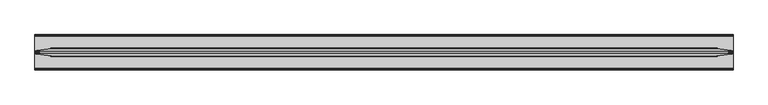
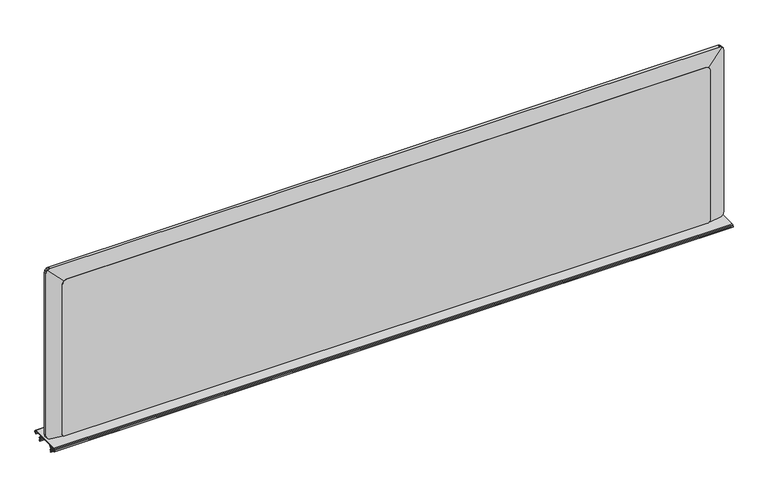
"""IFC4 building model written with IfcOpenShell, lengths in millimetres: furniture geometry."""

from ifc_helpers import new_model, si_unit, point, frame, frame_2d, origin, place, context, project, spatial, polyline, circle_curve, trimmed, segment, composite_curve, outline, extrude, faceted_brep, source, transform, mapped, element, save


def furniture_3af3d5f0(model_context):
    return source(origin(), model_context, "Body", "SolidModel", [
        extrude(outline(composite_curve([segment(trimmed(circle_curve(frame_2d((-75.1928863, 558.2065415)), 2.430138), [point((-76.6170666, 556.2374602))], [point((-77.2846954, 559.443435))], False, "CARTESIAN"), True, "CONTINUOUS"), segment(polyline([(-77.2846954, 559.443435), (-76.0762752, 561.4870905)]), True, "CONTINUOUS"), segment(trimmed(circle_curve(frame_2d((-74.0187119, 560.2704466)), 2.3903534), [point((-76.0762752, 561.4870905))], [point((-74.0187119, 562.6608))], False, "CARTESIAN"), True, "CONTINUOUS"), segment(polyline([(-74.0187119, 562.6608), (-4.2648863, 562.6608)]), True, "CONTINUOUS"), segment(trimmed(circle_curve(frame_2d((-4.2648863, 560.2704466)), 2.3903534), [point((-4.2648863, 562.6608))], [point((-2.207323, 561.4870905))], False, "CARTESIAN"), True, "CONTINUOUS"), segment(polyline([(-2.207323, 561.4870905), (-0.9989028, 559.443435)]), True, "CONTINUOUS"), segment(trimmed(circle_curve(frame_2d((-3.0907119, 558.2065415)), 2.430138), [point((-0.9989028, 559.443435))], [point((-1.6665316, 556.2374602))], False, "CARTESIAN"), True, "CONTINUOUS"), segment(polyline([(-1.6665316, 556.2374602), (-4.4860224, 554.1982031), (-4.9474775, 554.836214), (-2.1279867, 556.8754711)]), True, "CONTINUOUS"), segment(trimmed(circle_curve(frame_2d((-3.0907119, 558.2065415)), 1.642738), [point((-2.1279867, 556.8754711))], [point((-1.6766793, 559.0426636))], True, "CARTESIAN"), True, "CONTINUOUS"), segment(polyline([(-1.6766793, 559.0426636), (-2.8850995, 561.0863191)]), True, "CONTINUOUS"), segment(trimmed(circle_curve(frame_2d((-4.2648863, 560.2704466)), 1.6029534), [point((-2.8850995, 561.0863191))], [point((-4.2648863, 561.8734))], True, "CARTESIAN"), True, "CONTINUOUS"), segment(polyline([(-4.2648863, 561.8734), (-74.0187119, 561.8734)]), True, "CONTINUOUS"), segment(trimmed(circle_curve(frame_2d((-74.0187119, 560.2704466)), 1.6029534), [point((-74.0187119, 561.8734))], [point((-75.3984987, 561.0863191))], True, "CARTESIAN"), True, "CONTINUOUS"), segment(polyline([(-75.3984987, 561.0863191), (-76.6069189, 559.0426636)]), True, "CONTINUOUS"), segment(trimmed(circle_curve(frame_2d((-75.1928863, 558.2065415)), 1.642738), [point((-76.6069189, 559.0426636))], [point((-76.1556115, 556.8754711))], True, "CARTESIAN"), True, "CONTINUOUS"), segment(polyline([(-76.1556115, 556.8754711), (-73.3361207, 554.836214), (-73.7975758, 554.1982031), (-76.6170666, 556.2374602)]), True, "CONTINUOUS")], self_intersect=False)), frame((0.9128077, 0.0, 0.0), z_axis=(1.0, 0.0, 0.0), x_axis=(0.0, 1.0, 0.0)), (0.0, 0.0, 1.0), 1522.1743847),
        extrude(outline(composite_curve([segment(polyline([(-56.0461627, 561.8734), (-55.1072956, 561.8734), (-60.3912441, 553.7368387)]), True, "CONTINUOUS"), segment(trimmed(circle_curve(frame_2d((-59.5056044, 553.1616971)), 1.0560045), [point((-60.3912441, 553.7368387))], [point((-60.3859585, 552.5784971))], True, "CARTESIAN"), True, "CONTINUOUS"), segment(polyline([(-60.3859585, 552.5784971), (-59.3045938, 550.9461517)]), True, "CONTINUOUS"), segment(trimmed(circle_curve(frame_2d((-60.7484403, 549.9896601)), 1.7319264), [point((-59.3045938, 550.9461517))], [point((-59.5749626, 548.7158787))], False, "CARTESIAN"), True, "CONTINUOUS"), segment(polyline([(-59.5749626, 548.7158787), (-60.3183145, 548.0310619)]), True, "CONTINUOUS"), segment(trimmed(circle_curve(frame_2d((-59.7283038, 547.3906197)), 0.8707921), [point((-60.3183145, 548.0310619))], [point((-60.5065655, 546.999995))], True, "CARTESIAN"), True, "CONTINUOUS"), segment(polyline([(-60.5065655, 546.999995), (-59.6251222, 545.2438501), (-60.328853, 544.8906339), (-61.2102963, 546.6467788)]), True, "CONTINUOUS"), segment(trimmed(circle_curve(frame_2d((-59.7283038, 547.3906197)), 1.6581921), [point((-61.2102963, 546.6467788))], [point((-60.8518224, 548.6101717))], False, "CARTESIAN"), True, "CONTINUOUS"), segment(polyline([(-60.8518224, 548.6101717), (-60.1084705, 549.2949884)]), True, "CONTINUOUS"), segment(trimmed(circle_curve(frame_2d((-60.7484403, 549.9896601)), 0.9445264), [point((-60.1084705, 549.2949884))], [point((-59.9610216, 550.511294))], True, "CARTESIAN"), True, "CONTINUOUS"), segment(polyline([(-59.9610216, 550.511294), (-61.0423863, 552.1436394)]), True, "CONTINUOUS"), segment(trimmed(circle_curve(frame_2d((-59.5056044, 553.1616971)), 1.8434045), [point((-61.0423863, 552.1436394))], [point((-61.0516132, 554.1656877))], False, "CARTESIAN"), True, "CONTINUOUS"), segment(polyline([(-61.0516132, 554.1656877), (-56.0461627, 561.8734)]), True, "CONTINUOUS")], self_intersect=False)), frame((1.6764, 0.0, 0.0), z_axis=(1.0, 0.0, 0.0), x_axis=(0.0, 1.0, 0.0)), (0.0, 0.0, 1.0), 1520.6472),
        extrude(outline(composite_curve([segment(polyline([(-22.2374355, 561.8734), (-17.231985, 554.1656877)]), True, "CONTINUOUS"), segment(trimmed(circle_curve(frame_2d((-18.7779938, 553.1616971)), 1.8434045), [point((-17.231985, 554.1656877))], [point((-17.2412119, 552.1436394))], False, "CARTESIAN"), True, "CONTINUOUS"), segment(polyline([(-17.2412119, 552.1436394), (-18.3225766, 550.511294)]), True, "CONTINUOUS"), segment(trimmed(circle_curve(frame_2d((-17.5351579, 549.9896601)), 0.9445264), [point((-18.3225766, 550.511294))], [point((-18.1751277, 549.2949884))], True, "CARTESIAN"), True, "CONTINUOUS"), segment(polyline([(-18.1751277, 549.2949884), (-17.4317758, 548.6101717)]), True, "CONTINUOUS"), segment(trimmed(circle_curve(frame_2d((-18.5552944, 547.3906197)), 1.6581921), [point((-17.4317758, 548.6101717))], [point((-17.0733019, 546.6467788))], False, "CARTESIAN"), True, "CONTINUOUS"), segment(polyline([(-17.0733019, 546.6467788), (-17.9547452, 544.8906339), (-18.658476, 545.2438501), (-17.7770327, 546.999995)]), True, "CONTINUOUS"), segment(trimmed(circle_curve(frame_2d((-18.5552944, 547.3906197)), 0.8707921), [point((-17.7770327, 546.999995))], [point((-17.9652837, 548.0310619))], True, "CARTESIAN"), True, "CONTINUOUS"), segment(polyline([(-17.9652837, 548.0310619), (-18.7086356, 548.7158787)]), True, "CONTINUOUS"), segment(trimmed(circle_curve(frame_2d((-17.5351579, 549.9896601)), 1.7319264), [point((-18.7086356, 548.7158787))], [point((-18.9790044, 550.9461517))], False, "CARTESIAN"), True, "CONTINUOUS"), segment(polyline([(-18.9790044, 550.9461517), (-17.8976397, 552.5784971)]), True, "CONTINUOUS"), segment(trimmed(circle_curve(frame_2d((-18.7779938, 553.1616971)), 1.0560045), [point((-17.8976397, 552.5784971))], [point((-17.8923541, 553.7368387))], True, "CARTESIAN"), True, "CONTINUOUS"), segment(polyline([(-17.8923541, 553.7368387), (-23.1763025, 561.8734), (-22.2374355, 561.8734)]), True, "CONTINUOUS")], self_intersect=False)), frame((1.6764, 0.0, 0.0), z_axis=(1.0, 0.0, 0.0), x_axis=(0.0, 1.0, 0.0)), (0.0, 0.0, 1.0), 1520.6472),
        faceted_brep([(1485.9706046, -31.0258914, 562.6608), (1485.9706046, -31.0258914, 930.4986273), (1519.410999, -35.7256324, 963.9390217), (1520.8505813, -35.9279525, 962.0852416), (1521.8654782, -36.0705869, 959.7595115), (1522.329602, -36.1358153, 957.1455867), (1522.329602, -36.1358153, 572.3730143), (1521.8654782, -36.0705869, 569.7590895), (1520.8505813, -35.9279525, 567.4333594), (1519.3657155, -35.7192682, 565.5212668), (1517.77837, -35.4961813, 564.240095), (1515.3892336, -35.1604101, 563.15208), (1512.7816683, -34.7939407, 562.6608), (1485.9706046, -47.5358914, 930.4986273), (1485.9706046, -47.5358914, 562.6608), (1512.7816683, -43.5773568, 562.6608), (1515.3892336, -43.1923614, 563.15208), (1517.77837, -42.839616, 564.240095), (1519.3657155, -42.6052515, 565.5212668), (1520.8505813, -42.3860176, 567.4333594), (1521.8654782, -42.2361726, 569.7590895), (1522.329602, -42.1676468, 572.3730143), (1522.329602, -42.1676468, 957.1455867), (1521.8654782, -42.2361726, 959.7595115), (1520.8505813, -42.3860176, 962.0852416), (1519.410999, -42.5985656, 963.9390217), (38.0293954, -31.0258914, 930.4986273), (38.0293954, -31.0258914, 562.6801375), (11.2802637, -34.7852367, 562.6801375), (8.6107664, -35.1604101, 563.1830859), (6.22163, -35.4961813, 564.2711009), (4.6342845, -35.7192682, 565.5522727), (3.1494187, -35.9279525, 567.4643652), (2.1345218, -36.0705869, 569.7900954), (1.670398, -36.1358153, 572.4040202), (1.670398, -36.1358153, 957.1455867), (2.1345218, -36.0705869, 959.7595115), (3.1494187, -35.9279525, 962.0852416), (4.589001, -35.7256324, 963.9390217), (38.0293954, -47.5358914, 562.6801375), (38.0293954, -47.5358914, 930.4986273), (4.589001, -42.5985656, 963.9390217), (3.1494187, -42.3860176, 962.0852416), (2.1345218, -42.2361726, 959.7595115), (1.670398, -42.1676468, 957.1455867), (1.670398, -42.1676468, 572.4040202), (2.1345218, -42.2361726, 569.7900954), (3.1494187, -42.3860176, 567.4643652), (4.6342845, -42.6052515, 565.5522727), (6.22163, -42.839616, 564.2711009), (8.6107664, -43.1923614, 563.1830859), (11.2802637, -43.5865008, 562.6801375), (6.22163, -35.9138846, 965.278506), (8.6107664, -36.0667951, 966.366521), (11.2173961, -36.1358153, 966.8576247), (1512.7826039, -36.1358153, 966.8576247), (1515.3892336, -36.0667951, 966.366521), (1517.77837, -35.9138846, 965.278506), (1517.77837, -42.4007967, 965.278506), (1515.3892336, -42.2401561, 966.366521), (1512.7826039, -42.1676468, 966.8576247), (11.2173961, -42.1676468, 966.8576247), (8.6107664, -42.2401561, 966.366521), (6.22163, -42.4007967, 965.278506)], [[[0, 1, 2, 3, 4, 5, 6, 7, 8, 9, 10, 11, 12]], [[13, 14, 15, 16, 17, 18, 19, 20, 21, 22, 23, 24, 25]], [[26, 27, 28, 29, 30, 31, 32, 33, 34, 35, 36, 37, 38]], [[39, 40, 41, 42, 43, 44, 45, 46, 47, 48, 49, 50, 51]], [[1, 26, 38, 52, 53, 54, 55, 56, 57, 2]], [[40, 13, 25, 58, 59, 60, 61, 62, 63, 41]], [[1, 0, 14, 13]], [[39, 27, 26, 40]], [[26, 1, 13, 40]], [[33, 46, 45, 34]], [[46, 33, 32, 47]], [[47, 32, 31, 48]], [[48, 31, 30, 49]], [[49, 30, 29, 50]], [[50, 29, 28, 51]], [[27, 39, 51, 28]], [[14, 0, 12, 15]], [[34, 45, 44, 35]], [[54, 61, 60, 55]], [[21, 6, 5, 22]], [[20, 7, 6, 21]], [[7, 20, 19, 8]], [[8, 19, 18, 9]], [[9, 18, 17, 10]], [[10, 17, 16, 11]], [[11, 16, 15, 12]], [[43, 36, 35, 44]], [[36, 43, 42, 37]], [[41, 38, 37, 42]], [[38, 41, 63, 52]], [[52, 63, 62, 53]], [[53, 62, 61, 54]], [[4, 23, 22, 5]], [[23, 4, 3, 24]], [[2, 25, 24, 3]], [[25, 2, 57, 58]], [[58, 57, 56, 59]], [[59, 56, 55, 60]]]),
        extrude(outline(composite_curve([segment(polyline([(933.2233743, 1478.5013514), (933.2233743, 45.4986486), (932.5373293, 41.8573286), (931.4492416, 39.4681922), (930.1680698, 37.8808467), (928.2559772, 36.3959812), (925.9303198, 35.3810842), (923.2731236, 34.9949365), (567.4362514, 34.9949365)]), True, "CONTINUOUS"), segment(trimmed(circle_curve(frame_2d((567.4362514, 39.7510504)), 4.7561139), [point((567.4362514, 34.9949365))], [point((562.6801375, 39.7510504))], False, "CARTESIAN"), True, "CONTINUOUS"), segment(polyline([(562.6801375, 39.7510504), (562.6801375, 1481.21858)]), True, "CONTINUOUS"), segment(trimmed(circle_curve(frame_2d((570.466621, 1481.21858)), 7.7864835), [point((562.6801375, 1481.21858))], [point((570.466621, 1489.0050635))], False, "CARTESIAN"), True, "CONTINUOUS"), segment(polyline([(570.466621, 1489.0050635), (923.2731236, 1489.0050635), (925.9303198, 1488.6189158), (928.2559772, 1487.6040188), (930.1680698, 1486.1191533), (931.4492416, 1484.5318078), (932.5373293, 1482.1426714), (933.2233743, 1478.5013514)]), True, "CONTINUOUS")], self_intersect=False)), frame((0.0, -48.8058914, 0.0), z_axis=(0.0, 1.0, 0.0), x_axis=(0.0, 0.0, 1.0)), (0.0, 0.0, 1.0), 19.05),
    ])


if __name__ == "__main__":
    model = new_model("IFC4")
    model_context = context("Model", 3, world=origin())
    ifc_project = project(units=[si_unit("LENGTHUNIT", "METRE", prefix="MILLI")], contexts=[model_context])
    site = spatial("IfcSite", under=ifc_project)
    building = spatial("IfcBuilding", under=site)
    placement = place(None, origin())
    furniture_shape = furniture_3af3d5f0(model_context)
    element("IfcFurniture", 1, at=placement, inside=building, context=model_context, shape_type="MappedRepresentation", body=[
        mapped(furniture_shape, transform((0.0, 0.0, 0.0), x_axis=(1.0, 0.0, 0.0), y_axis=(0.0, 1.0, 0.0), z_axis=(0.0, 0.0, 1.0))),
    ])
    save(model, "model.ifc")
